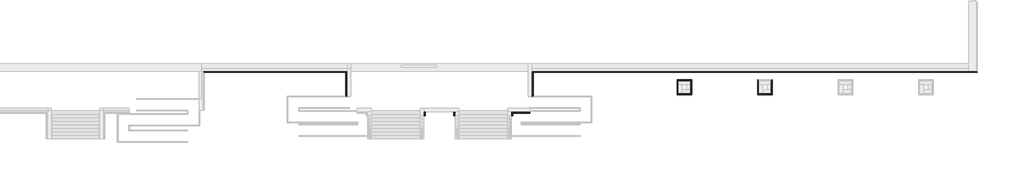
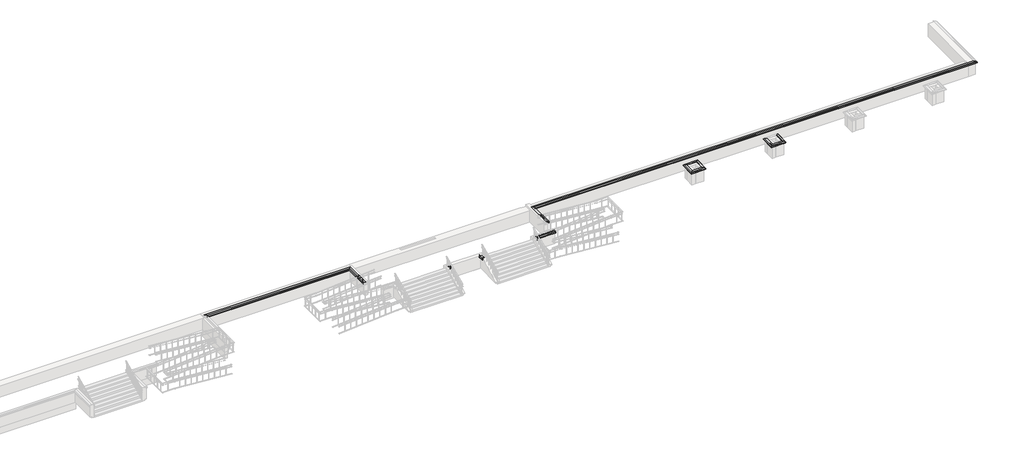
# One storey, part 6 of 10: 16 proxies.
"""IFC4 building model written with IfcOpenShell, lengths in millimetres."""

from ifc_helpers import new_model, si_unit, point, frame, frame_2d, origin, place, context, project, spatial, polyline, circle_curve, ellipse_curve, trimmed, segment, composite_curve, outline, extrude, element, save
from ifc_brep_helpers import plane_surface, revolved_surface, advanced_brep

model = new_model("IFC4")

# Units and contexts
model_context = context("Model", 3, world=origin())
ifc_project = project(units=[si_unit("LENGTHUNIT", "METRE", prefix="MILLI")], contexts=[model_context])

# Site, building, storey
site = spatial("IfcSite", under=ifc_project)
building = spatial("IfcBuilding", under=site)
storey = spatial("IfcBuildingStorey", under=building, Elevation=-1200.0)

# Proxies
placement = place(None, origin())
element("IfcBuildingElementProxy", 1, Name="Wall Sweeps", at=placement, inside=storey, context=model_context, shape_type="AdvancedBrep", body=[
    advanced_brep(
    [(46935.0112841, -15231.8920513, -15.0), (46935.0112841, -15231.8920513, -85.0), (46870.0112841, -15166.8920513, -150.0), (46820.0112841, -15116.8920513, -150.0), (46820.0112841, -15116.8920513, 0.0), (46720.0112841, -15016.8920513, 0.0), (46720.0112841, -15016.8920513, 30.51349), (46870.0112841, -15166.8920513, 30.51349), (8835.0112841, -15231.8920513, -15.0), (8770.0112841, -15166.8920513, 30.51349), (8620.0112841, -15016.8920513, 30.51349), (8620.0112841, -15016.8920513, 0.0), (8720.0112841, -15116.8920513, 0.0), (8720.0112841, -15116.8920513, -150.0), (8770.0112841, -15166.8920513, -150.0), (8835.0112841, -15231.8920513, -85.0), (46210.0112841, -15116.8920513, 0.0)],
    [
        (0, 1),
        (1, 2, ellipse_curve(frame((46935.0112841, -15231.8920513, -150.0), z_axis=(-0.707106781186544, -0.7071067811865511, 0.0), x_axis=(-0.707106781186551, 0.7071067811865439, 0.0)), 91.9238816, 65.0)),
        (2, 3),
        (3, 4),
        (4, 5),
        (5, 6),
        (6, 7),
        (7, 0),
        (8, 9),
        (9, 10),
        (10, 11),
        (11, 12),
        (12, 13),
        (13, 14),
        (14, 15, ellipse_curve(frame((8835.0112841, -15231.8920513, -150.0), z_axis=(0.7071067811865476, 0.7071067811865476, 0.0), x_axis=(-0.7071067811865475, 0.7071067811865476, 0.0)), 91.9238816, 65.0)),
        (15, 8),
        (0, 8),
        (15, 1),
        (14, 2),
        (13, 3),
        (12, 16),
        (16, 4),
        (11, 5),
        (10, 6),
        (9, 7),
    ],
    [
        plane_surface(frame((46820.0112841, -15116.8920513, 304.8), z_axis=(0.707106781186544, 0.7071067811865511, 0.0), x_axis=(-0.7071067811865511, 0.707106781186544, 0.0))),
        plane_surface(frame((8720.0112841, -15116.8920513, -304.8), z_axis=(-0.7071067811865476, -0.7071067811865476, 0.0), x_axis=(0.7071067811865476, -0.7071067811865476, 0.0))),
        plane_surface(frame((46935.0112841, -15231.8920513, -15.0), z_axis=(0.0, -1.0, 0.0), x_axis=(-1.0, 0.0, 0.0))),
        revolved_surface(polyline([(8770.011284067652, -15296.8920513, -150.0), (47000.01128413235, -15296.8920513, -150.0)]), (46820.0112841, -15231.8920513, -150.0), (-1.0, 0.0, 0.0)),
        plane_surface(frame((46870.0112841, -15166.8920513, -150.0), z_axis=(0.0, 0.0, -1.0), x_axis=(-1.0, 0.0, 0.0))),
        plane_surface(frame((46820.0112841, -15116.8920513, -150.0), z_axis=(0.0, 1.0, 0.0), x_axis=(-1.0, 0.0, 0.0))),
        plane_surface(frame((46820.0112841, -15116.8920513, 0.0), z_axis=(0.0, 0.0, -1.0), x_axis=(-1.0, 0.0, 0.0))),
        plane_surface(frame((46720.0112841, -15016.8920513, 0.0), z_axis=(0.0, 1.0, 0.0), x_axis=(-1.0, 0.0, 0.0))),
        plane_surface(frame((46720.0112841, -15016.8920513, 30.51349), z_axis=(0.0, 0.0, 1.0), x_axis=(-1.0, 0.0, 0.0))),
        plane_surface(frame((46870.0112841, -15166.8920513, 30.51349), z_axis=(0.0, -0.5735764363510482, 0.8191520442889904), x_axis=(-1.0, 0.0, 0.0))),
    ],
    [
        (0, [[1, 2, 3, 4, 5, 6, 7, 8]]),
        (1, [[9, 10, 11, 12, 13, 14, 15, 16]]),
        (2, [[-1, 17, -16, 18]]),
        (3, [[-2, -18, -15, 19]]),
        (4, [[-3, -19, -14, 20]]),
        (5, [[-4, -20, -13, 21, 22]]),
        (6, [[-5, -22, -21, -12, 23]]),
        (7, [[-6, -23, -11, 24]]),
        (8, [[-7, -24, -10, 25]]),
        (9, [[-8, -25, -9, -17]]),
    ],
),
])
element("IfcBuildingElementProxy", 2, Name="Wall Sweeps", at=placement, inside=storey, context=model_context, shape_type="AdvancedBrep", body=[
    advanced_brep(
    [(21185.0112841, -15881.8920513, -15.0), (21185.0112841, -15881.8920513, -85.0), (21250.0112841, -15946.8920513, -150.0), (21300.0112841, -15996.8920513, -150.0), (21300.0112841, -15996.8920513, 0.0), (21400.0112841, -16096.8920513, 0.0), (21400.0112841, -16096.8920513, 30.51349), (21250.0112841, -15946.8920513, 30.51349), (22435.0112841, -15881.8920513, -15.0), (22370.0112841, -15946.8920513, 30.51349), (22220.0112841, -16096.8920513, 30.51349), (22220.0112841, -16096.8920513, 0.0), (22320.0112841, -15996.8920513, 0.0), (22320.0112841, -15996.8920513, -150.0), (22370.0112841, -15946.8920513, -150.0), (22435.0112841, -15881.8920513, -85.0)],
    [
        (0, 1),
        (1, 2, ellipse_curve(frame((21185.0112841, -15881.8920513, -150.0), z_axis=(0.707106781186544, 0.7071067811865511, 0.0), x_axis=(0.707106781186551, -0.7071067811865439, 0.0)), 91.9238816, 65.0)),
        (2, 3),
        (3, 4),
        (4, 5),
        (5, 6),
        (6, 7),
        (7, 0),
        (8, 9),
        (9, 10),
        (10, 11),
        (11, 12),
        (12, 13),
        (13, 14),
        (14, 15, ellipse_curve(frame((22435.0112841, -15881.8920513, -150.0), z_axis=(-0.707106781186544, 0.7071067811865511, 0.0), x_axis=(0.7071067811865509, 0.707106781186544, 0.0)), 91.9238816, 65.0)),
        (15, 8),
        (0, 8),
        (15, 1),
        (14, 2),
        (13, 3),
        (12, 4),
        (11, 5),
        (10, 6),
        (9, 7),
    ],
    [
        plane_surface(frame((21300.0112841, -15996.8920513, 304.8), z_axis=(-0.707106781186544, -0.7071067811865511, 0.0), x_axis=(0.7071067811865511, -0.707106781186544, 0.0))),
        plane_surface(frame((22320.0112841, -15996.8920513, 304.8), z_axis=(0.707106781186544, -0.7071067811865511, 0.0), x_axis=(-0.7071067811865511, -0.707106781186544, 0.0))),
        plane_surface(frame((21185.0112841, -15881.8920513, -15.0), z_axis=(0.0, 1.0, 0.0), x_axis=(1.0, 0.0, 0.0))),
        revolved_surface(polyline([(22500.01128413235, -15816.8920513, -150.0), (21120.011284067652, -15816.8920513, -150.0)]), (21300.0112841, -15881.8920513, -150.0), (1.0, 0.0, 0.0)),
        plane_surface(frame((21250.0112841, -15946.8920513, -150.0), z_axis=(0.0, 0.0, -1.0), x_axis=(1.0, 0.0, 0.0))),
        plane_surface(frame((21300.0112841, -15996.8920513, -150.0), z_axis=(0.0, -1.0, 0.0), x_axis=(1.0, 0.0, 0.0))),
        plane_surface(frame((21300.0112841, -15996.8920513, 0.0), z_axis=(0.0, 0.0, -1.0), x_axis=(1.0, 0.0, 0.0))),
        plane_surface(frame((21400.0112841, -16096.8920513, 0.0), z_axis=(0.0, -1.0, 0.0), x_axis=(1.0, 0.0, 0.0))),
        plane_surface(frame((21400.0112841, -16096.8920513, 30.51349), z_axis=(0.0, 0.0, 1.0), x_axis=(1.0, 0.0, 0.0))),
        plane_surface(frame((21250.0112841, -15946.8920513, 30.51349), z_axis=(0.0, 0.5735764363510482, 0.8191520442889904), x_axis=(1.0, 0.0, 0.0))),
    ],
    [
        (0, [[1, 2, 3, 4, 5, 6, 7, 8]]),
        (1, [[9, 10, 11, 12, 13, 14, 15, 16]]),
        (2, [[-1, 17, -16, 18]]),
        (3, [[-2, -18, -15, 19]]),
        (4, [[-3, -19, -14, 20]]),
        (5, [[-4, -20, -13, 21]]),
        (6, [[-5, -21, -12, 22]]),
        (7, [[-6, -22, -11, 23]]),
        (8, [[-7, -23, -10, 24]]),
        (9, [[-8, -24, -9, -17]]),
    ],
),
])
element("IfcBuildingElementProxy", 3, Name="Wall Sweeps", at=placement, inside=storey, context=model_context, shape_type="AdvancedBrep", body=[
    advanced_brep(
    [(21185.0112841, -15881.8920513, -15.0), (21250.0112841, -15946.8920513, 30.51349), (21400.0112841, -16096.8920513, 30.51349), (21400.0112841, -16096.8920513, 0.0), (21300.0112841, -15996.8920513, 0.0), (21300.0112841, -15996.8920513, -150.0), (21250.0112841, -15946.8920513, -150.0), (21185.0112841, -15881.8920513, -85.0), (21185.0112841, -17131.8920513, -15.0), (21185.0112841, -17131.8920513, -85.0), (21250.0112841, -17066.8920513, -150.0), (21300.0112841, -17016.8920513, -150.0), (21300.0112841, -17016.8920513, 0.0), (21400.0112841, -16916.8920513, 0.0), (21400.0112841, -16916.8920513, 30.51349), (21250.0112841, -17066.8920513, 30.51349), (21300.0112841, -16306.8920513, 0.0)],
    [
        (0, 1),
        (1, 2),
        (2, 3),
        (3, 4),
        (4, 5),
        (5, 6),
        (6, 7, ellipse_curve(frame((21185.0112841, -15881.8920513, -150.0), z_axis=(-0.707106781186544, -0.7071067811865511, 0.0), x_axis=(0.7071067811865511, -0.7071067811865439, 0.0)), 91.9238816, 65.0)),
        (7, 0),
        (8, 9),
        (9, 10, ellipse_curve(frame((21185.0112841, -17131.8920513, -150.0), z_axis=(-0.707106781186544, 0.7071067811865511, 0.0), x_axis=(-0.7071067811865511, -0.7071067811865439, 0.0)), 91.9238816, 65.0)),
        (10, 11),
        (11, 12),
        (12, 13),
        (13, 14),
        (14, 15),
        (15, 8),
        (7, 9),
        (8, 0),
        (6, 10),
        (5, 11),
        (4, 16),
        (16, 12),
        (3, 13),
        (2, 14),
        (1, 15),
    ],
    [
        plane_surface(frame((21300.0112841, -15996.8920513, -304.8), z_axis=(0.707106781186544, 0.7071067811865511, 0.0), x_axis=(0.7071067811865511, -0.707106781186544, 0.0))),
        plane_surface(frame((21300.0112841, -17016.8920513, -304.8), z_axis=(0.707106781186544, -0.7071067811865511, 0.0), x_axis=(0.7071067811865511, 0.707106781186544, 0.0))),
        plane_surface(frame((21185.0112841, -15881.8920513, -85.0), z_axis=(-1.0, 0.0, 0.0), x_axis=(0.0, -1.0, 0.0))),
        revolved_surface(polyline([(21120.0112841, -17196.89205133235, -150.0), (21120.0112841, -15816.89205126765, -150.0)]), (21185.0112841, -15996.8920513, -150.0), (0.0, -1.0, 0.0)),
        plane_surface(frame((21300.0112841, -15996.8920513, -150.0), z_axis=(0.0, 0.0, -1.0), x_axis=(0.0, -1.0, 0.0))),
        plane_surface(frame((21300.0112841, -15996.8920513, 0.0), z_axis=(1.0, 0.0, 0.0), x_axis=(0.0, -1.0, 0.0))),
        plane_surface(frame((21400.0112841, -16096.8920513, 0.0), z_axis=(0.0, 0.0, -1.0), x_axis=(0.0, -1.0, 0.0))),
        plane_surface(frame((21400.0112841, -16096.8920513, 30.51349), z_axis=(1.0, 0.0, 0.0), x_axis=(0.0, -1.0, 0.0))),
        plane_surface(frame((21250.0112841, -15946.8920513, 30.51349), z_axis=(0.0, 0.0, 1.0), x_axis=(0.0, -1.0, 0.0))),
        plane_surface(frame((21185.0112841, -15881.8920513, -15.0), z_axis=(-0.5735764363510482, 0.0, 0.8191520442889904), x_axis=(0.0, -1.0, 0.0))),
    ],
    [
        (0, [[1, 2, 3, 4, 5, 6, 7, 8]]),
        (1, [[9, 10, 11, 12, 13, 14, 15, 16]]),
        (2, [[-8, 17, -9, 18]]),
        (3, [[-7, 19, -10, -17]]),
        (4, [[-6, 20, -11, -19]]),
        (5, [[-5, 21, 22, -12, -20]]),
        (6, [[-4, 23, -13, -22, -21]]),
        (7, [[-3, 24, -14, -23]]),
        (8, [[-2, 25, -15, -24]]),
        (9, [[-1, -18, -16, -25]]),
    ],
),
])
element("IfcBuildingElementProxy", 4, Name="Wall Sweeps", at=placement, inside=storey, context=model_context, shape_type="AdvancedBrep", body=[
    advanced_brep(
    [(22435.0112841, -17131.8920513, -15.0), (22435.0112841, -17131.8920513, -85.0), (22370.0112841, -17066.8920513, -150.0), (22320.0112841, -17016.8920513, -150.0), (22320.0112841, -17016.8920513, 0.0), (22220.0112841, -16916.8920513, 0.0), (22220.0112841, -16916.8920513, 30.51349), (22370.0112841, -17066.8920513, 30.51349), (21185.0112841, -17131.8920513, -15.0), (21250.0112841, -17066.8920513, 30.51349), (21400.0112841, -16916.8920513, 30.51349), (21400.0112841, -16916.8920513, 0.0), (21300.0112841, -17016.8920513, 0.0), (21300.0112841, -17016.8920513, -150.0), (21250.0112841, -17066.8920513, -150.0), (21185.0112841, -17131.8920513, -85.0), (21610.0112841, -17016.8920513, 0.0)],
    [
        (0, 1),
        (1, 2, ellipse_curve(frame((22435.0112841, -17131.8920513, -150.0), z_axis=(-0.707106781186544, -0.7071067811865511, 0.0), x_axis=(-0.707106781186551, 0.7071067811865439, 0.0)), 91.9238816, 65.0)),
        (2, 3),
        (3, 4),
        (4, 5),
        (5, 6),
        (6, 7),
        (7, 0),
        (8, 9),
        (9, 10),
        (10, 11),
        (11, 12),
        (12, 13),
        (13, 14),
        (14, 15, ellipse_curve(frame((21185.0112841, -17131.8920513, -150.0), z_axis=(0.707106781186544, -0.7071067811865511, 0.0), x_axis=(-0.7071067811865509, -0.707106781186544, 0.0)), 91.9238816, 65.0)),
        (15, 8),
        (0, 8),
        (15, 1),
        (14, 2),
        (13, 3),
        (12, 16),
        (16, 4),
        (11, 5),
        (10, 6),
        (9, 7),
    ],
    [
        plane_surface(frame((22320.0112841, -17016.8920513, 304.8), z_axis=(0.707106781186544, 0.7071067811865511, 0.0), x_axis=(-0.7071067811865511, 0.707106781186544, 0.0))),
        plane_surface(frame((21300.0112841, -17016.8920513, 304.8), z_axis=(-0.707106781186544, 0.7071067811865511, 0.0), x_axis=(0.7071067811865511, 0.707106781186544, 0.0))),
        plane_surface(frame((22435.0112841, -17131.8920513, -15.0), z_axis=(0.0, -1.0, 0.0), x_axis=(-1.0, 0.0, 0.0))),
        revolved_surface(polyline([(21120.011284067652, -17196.8920513, -150.0), (22500.01128413235, -17196.8920513, -150.0)]), (22320.0112841, -17131.8920513, -150.0), (-1.0, 0.0, 0.0)),
        plane_surface(frame((22370.0112841, -17066.8920513, -150.0), z_axis=(0.0, 0.0, -1.0), x_axis=(-1.0, 0.0, 0.0))),
        plane_surface(frame((22320.0112841, -17016.8920513, -150.0), z_axis=(0.0, 1.0, 0.0), x_axis=(-1.0, 0.0, 0.0))),
        plane_surface(frame((22320.0112841, -17016.8920513, 0.0), z_axis=(0.0, 0.0, -1.0), x_axis=(-1.0, 0.0, 0.0))),
        plane_surface(frame((22220.0112841, -16916.8920513, 0.0), z_axis=(0.0, 1.0, 0.0), x_axis=(-1.0, 0.0, 0.0))),
        plane_surface(frame((22220.0112841, -16916.8920513, 30.51349), z_axis=(0.0, 0.0, 1.0), x_axis=(-1.0, 0.0, 0.0))),
        plane_surface(frame((22370.0112841, -17066.8920513, 30.51349), z_axis=(0.0, -0.5735764363510482, 0.8191520442889904), x_axis=(-1.0, 0.0, 0.0))),
    ],
    [
        (0, [[1, 2, 3, 4, 5, 6, 7, 8]]),
        (1, [[9, 10, 11, 12, 13, 14, 15, 16]]),
        (2, [[-1, 17, -16, 18]]),
        (3, [[-2, -18, -15, 19]]),
        (4, [[-3, -19, -14, 20]]),
        (5, [[-4, -20, -13, 21, 22]]),
        (6, [[-5, -22, -21, -12, 23]]),
        (7, [[-6, -23, -11, 24]]),
        (8, [[-7, -24, -10, 25]]),
        (9, [[-8, -25, -9, -17]]),
    ],
),
])
element("IfcBuildingElementProxy", 5, Name="Wall Sweeps", at=placement, inside=storey, context=model_context, shape_type="AdvancedBrep", body=[
    advanced_brep(
    [(22435.0112841, -15881.8920513, -15.0), (22435.0112841, -15881.8920513, -85.0), (22370.0112841, -15946.8920513, -150.0), (22320.0112841, -15996.8920513, -150.0), (22320.0112841, -15996.8920513, 0.0), (22220.0112841, -16096.8920513, 0.0), (22220.0112841, -16096.8920513, 30.51349), (22370.0112841, -15946.8920513, 30.51349), (22435.0112841, -17131.8920513, -15.0), (22370.0112841, -17066.8920513, 30.51349), (22220.0112841, -16916.8920513, 30.51349), (22220.0112841, -16916.8920513, 0.0), (22320.0112841, -17016.8920513, 0.0), (22320.0112841, -17016.8920513, -150.0), (22370.0112841, -17066.8920513, -150.0), (22435.0112841, -17131.8920513, -85.0), (22320.0112841, -16706.8920513, 0.0), (22320.0112841, -16306.8920513, 0.0)],
    [
        (0, 1),
        (1, 2, ellipse_curve(frame((22435.0112841, -15881.8920513, -150.0), z_axis=(0.707106781186544, -0.7071067811865511, 0.0), x_axis=(-0.7071067811865511, -0.7071067811865439, 0.0)), 91.9238816, 65.0)),
        (2, 3),
        (3, 4),
        (4, 5),
        (5, 6),
        (6, 7),
        (7, 0),
        (8, 9),
        (9, 10),
        (10, 11),
        (11, 12),
        (12, 13),
        (13, 14),
        (14, 15, ellipse_curve(frame((22435.0112841, -17131.8920513, -150.0), z_axis=(0.707106781186544, 0.7071067811865511, 0.0), x_axis=(0.7071067811865511, -0.7071067811865439, 0.0)), 91.9238816, 65.0)),
        (15, 8),
        (0, 8),
        (15, 1),
        (14, 2),
        (13, 3),
        (12, 16),
        (16, 17),
        (17, 4),
        (11, 5),
        (10, 6),
        (9, 7),
    ],
    [
        plane_surface(frame((22320.0112841, -15996.8920513, 304.8), z_axis=(-0.707106781186544, 0.7071067811865511, 0.0), x_axis=(-0.7071067811865511, -0.707106781186544, 0.0))),
        plane_surface(frame((22320.0112841, -17016.8920513, 304.8), z_axis=(-0.707106781186544, -0.7071067811865511, 0.0), x_axis=(-0.7071067811865511, 0.707106781186544, 0.0))),
        plane_surface(frame((22435.0112841, -15881.8920513, -15.0), z_axis=(1.0, 0.0, 0.0), x_axis=(0.0, -1.0, 0.0))),
        revolved_surface(polyline([(22500.0112841, -17196.89205133235, -150.0), (22500.0112841, -15816.89205126765, -150.0)]), (22435.0112841, -15996.8920513, -150.0), (0.0, -1.0, 0.0)),
        plane_surface(frame((22370.0112841, -15946.8920513, -150.0), z_axis=(0.0, 0.0, -1.0), x_axis=(0.0, -1.0, 0.0))),
        plane_surface(frame((22320.0112841, -15996.8920513, -150.0), z_axis=(-1.0, 0.0, 0.0), x_axis=(0.0, -1.0, 0.0))),
        plane_surface(frame((22320.0112841, -15996.8920513, 0.0), z_axis=(0.0, 0.0, -1.0), x_axis=(0.0, -1.0, 0.0))),
        plane_surface(frame((22220.0112841, -16096.8920513, 0.0), z_axis=(-1.0, 0.0, 0.0), x_axis=(0.0, -1.0, 0.0))),
        plane_surface(frame((22220.0112841, -16096.8920513, 30.51349), z_axis=(0.0, 0.0, 1.0), x_axis=(0.0, -1.0, 0.0))),
        plane_surface(frame((22370.0112841, -15946.8920513, 30.51349), z_axis=(0.5735764363510482, 0.0, 0.8191520442889904), x_axis=(0.0, -1.0, 0.0))),
    ],
    [
        (0, [[1, 2, 3, 4, 5, 6, 7, 8]]),
        (1, [[9, 10, 11, 12, 13, 14, 15, 16]]),
        (2, [[-1, 17, -16, 18]]),
        (3, [[-2, -18, -15, 19]]),
        (4, [[-3, -19, -14, 20]]),
        (5, [[-4, -20, -13, 21, 22, 23]]),
        (6, [[-5, -23, -22, -21, -12, 24]]),
        (7, [[-6, -24, -11, 25]]),
        (8, [[-7, -25, -10, 26]]),
        (9, [[-8, -26, -9, -17]]),
    ],
),
])
element("IfcBuildingElementProxy", 6, Name="Wall Sweeps", at=placement, inside=storey, context=model_context, shape_type="AdvancedBrep", body=[
    advanced_brep(
    [(28085.0112841, -15881.8920513, -15.0), (28150.0112841, -15946.8920513, 30.51349), (28300.0112841, -16096.8920513, 30.51349), (28300.0112841, -16096.8920513, 0.0), (28200.0112841, -15996.8920513, 0.0), (28200.0112841, -15996.8920513, -150.0), (28150.0112841, -15946.8920513, -150.0), (28085.0112841, -15881.8920513, -85.0), (28085.0112841, -17131.8920513, -15.0), (28085.0112841, -17131.8920513, -85.0), (28150.0112841, -17066.8920513, -150.0), (28200.0112841, -17016.8920513, -150.0), (28200.0112841, -17016.8920513, 0.0), (28300.0112841, -16916.8920513, 0.0), (28300.0112841, -16916.8920513, 30.51349), (28150.0112841, -17066.8920513, 30.51349), (28200.0112841, -16306.8920513, 0.0)],
    [
        (0, 1),
        (1, 2),
        (2, 3),
        (3, 4),
        (4, 5),
        (5, 6),
        (6, 7, ellipse_curve(frame((28085.0112841, -15881.8920513, -150.0), z_axis=(-0.707106781186544, -0.7071067811865511, 0.0), x_axis=(0.7071067811865511, -0.7071067811865439, 0.0)), 91.9238816, 65.0)),
        (7, 0),
        (8, 9),
        (9, 10, ellipse_curve(frame((28085.0112841, -17131.8920513, -150.0), z_axis=(-0.707106781186544, 0.7071067811865511, 0.0), x_axis=(-0.7071067811865511, -0.7071067811865439, 0.0)), 91.9238816, 65.0)),
        (10, 11),
        (11, 12),
        (12, 13),
        (13, 14),
        (14, 15),
        (15, 8),
        (7, 9),
        (8, 0),
        (6, 10),
        (5, 11),
        (4, 16),
        (16, 12),
        (3, 13),
        (2, 14),
        (1, 15),
    ],
    [
        plane_surface(frame((28200.0112841, -15996.8920513, -304.8), z_axis=(0.707106781186544, 0.7071067811865511, 0.0), x_axis=(0.7071067811865511, -0.707106781186544, 0.0))),
        plane_surface(frame((28200.0112841, -17016.8920513, -304.8), z_axis=(0.707106781186544, -0.7071067811865511, 0.0), x_axis=(0.7071067811865511, 0.707106781186544, 0.0))),
        plane_surface(frame((28085.0112841, -15881.8920513, -85.0), z_axis=(-1.0, 0.0, 0.0), x_axis=(0.0, -1.0, 0.0))),
        revolved_surface(polyline([(28020.0112841, -17196.89205133235, -150.0), (28020.0112841, -15816.89205126765, -150.0)]), (28085.0112841, -15996.8920513, -150.0), (0.0, -1.0, 0.0)),
        plane_surface(frame((28200.0112841, -15996.8920513, -150.0), z_axis=(0.0, 0.0, -1.0), x_axis=(0.0, -1.0, 0.0))),
        plane_surface(frame((28200.0112841, -15996.8920513, 0.0), z_axis=(1.0, 0.0, 0.0), x_axis=(0.0, -1.0, 0.0))),
        plane_surface(frame((28300.0112841, -16096.8920513, 0.0), z_axis=(0.0, 0.0, -1.0), x_axis=(0.0, -1.0, 0.0))),
        plane_surface(frame((28300.0112841, -16096.8920513, 30.51349), z_axis=(1.0, 0.0, 0.0), x_axis=(0.0, -1.0, 0.0))),
        plane_surface(frame((28150.0112841, -15946.8920513, 30.51349), z_axis=(0.0, 0.0, 1.0), x_axis=(0.0, -1.0, 0.0))),
        plane_surface(frame((28085.0112841, -15881.8920513, -15.0), z_axis=(-0.5735764363510482, 0.0, 0.8191520442889904), x_axis=(0.0, -1.0, 0.0))),
    ],
    [
        (0, [[1, 2, 3, 4, 5, 6, 7, 8]]),
        (1, [[9, 10, 11, 12, 13, 14, 15, 16]]),
        (2, [[-8, 17, -9, 18]]),
        (3, [[-7, 19, -10, -17]]),
        (4, [[-6, 20, -11, -19]]),
        (5, [[-5, 21, 22, -12, -20]]),
        (6, [[-4, 23, -13, -22, -21]]),
        (7, [[-3, 24, -14, -23]]),
        (8, [[-2, 25, -15, -24]]),
        (9, [[-1, -18, -16, -25]]),
    ],
),
])
element("IfcBuildingElementProxy", 7, Name="Wall Sweeps", at=placement, inside=storey, context=model_context, shape_type="AdvancedBrep", body=[
    advanced_brep(
    [(29335.0112841, -17131.8920513, -15.0), (29335.0112841, -17131.8920513, -85.0), (29270.0112841, -17066.8920513, -150.0), (29220.0112841, -17016.8920513, -150.0), (29220.0112841, -17016.8920513, 0.0), (29120.0112841, -16916.8920513, 0.0), (29120.0112841, -16916.8920513, 30.51349), (29270.0112841, -17066.8920513, 30.51349), (28085.0112841, -17131.8920513, -15.0), (28150.0112841, -17066.8920513, 30.51349), (28300.0112841, -16916.8920513, 30.51349), (28300.0112841, -16916.8920513, 0.0), (28200.0112841, -17016.8920513, 0.0), (28200.0112841, -17016.8920513, -150.0), (28150.0112841, -17066.8920513, -150.0), (28085.0112841, -17131.8920513, -85.0), (28510.0112841, -17016.8920513, 0.0)],
    [
        (0, 1),
        (1, 2, ellipse_curve(frame((29335.0112841, -17131.8920513, -150.0), z_axis=(-0.707106781186544, -0.7071067811865511, 0.0), x_axis=(-0.707106781186551, 0.7071067811865439, 0.0)), 91.9238816, 65.0)),
        (2, 3),
        (3, 4),
        (4, 5),
        (5, 6),
        (6, 7),
        (7, 0),
        (8, 9),
        (9, 10),
        (10, 11),
        (11, 12),
        (12, 13),
        (13, 14),
        (14, 15, ellipse_curve(frame((28085.0112841, -17131.8920513, -150.0), z_axis=(0.707106781186544, -0.7071067811865511, 0.0), x_axis=(-0.7071067811865509, -0.707106781186544, 0.0)), 91.9238816, 65.0)),
        (15, 8),
        (0, 8),
        (15, 1),
        (14, 2),
        (13, 3),
        (12, 16),
        (16, 4),
        (11, 5),
        (10, 6),
        (9, 7),
    ],
    [
        plane_surface(frame((29220.0112841, -17016.8920513, 304.8), z_axis=(0.707106781186544, 0.7071067811865511, 0.0), x_axis=(-0.7071067811865511, 0.707106781186544, 0.0))),
        plane_surface(frame((28200.0112841, -17016.8920513, 304.8), z_axis=(-0.707106781186544, 0.7071067811865511, 0.0), x_axis=(0.7071067811865511, 0.707106781186544, 0.0))),
        plane_surface(frame((29335.0112841, -17131.8920513, -15.0), z_axis=(0.0, -1.0, 0.0), x_axis=(-1.0, 0.0, 0.0))),
        revolved_surface(polyline([(28020.011284067652, -17196.8920513, -150.0), (29400.01128413235, -17196.8920513, -150.0)]), (29220.0112841, -17131.8920513, -150.0), (-1.0, 0.0, 0.0)),
        plane_surface(frame((29270.0112841, -17066.8920513, -150.0), z_axis=(0.0, 0.0, -1.0), x_axis=(-1.0, 0.0, 0.0))),
        plane_surface(frame((29220.0112841, -17016.8920513, -150.0), z_axis=(0.0, 1.0, 0.0), x_axis=(-1.0, 0.0, 0.0))),
        plane_surface(frame((29220.0112841, -17016.8920513, 0.0), z_axis=(0.0, 0.0, -1.0), x_axis=(-1.0, 0.0, 0.0))),
        plane_surface(frame((29120.0112841, -16916.8920513, 0.0), z_axis=(0.0, 1.0, 0.0), x_axis=(-1.0, 0.0, 0.0))),
        plane_surface(frame((29120.0112841, -16916.8920513, 30.51349), z_axis=(0.0, 0.0, 1.0), x_axis=(-1.0, 0.0, 0.0))),
        plane_surface(frame((29270.0112841, -17066.8920513, 30.51349), z_axis=(0.0, -0.5735764363510482, 0.8191520442889904), x_axis=(-1.0, 0.0, 0.0))),
    ],
    [
        (0, [[1, 2, 3, 4, 5, 6, 7, 8]]),
        (1, [[9, 10, 11, 12, 13, 14, 15, 16]]),
        (2, [[-1, 17, -16, 18]]),
        (3, [[-2, -18, -15, 19]]),
        (4, [[-3, -19, -14, 20]]),
        (5, [[-4, -20, -13, 21, 22]]),
        (6, [[-5, -22, -21, -12, 23]]),
        (7, [[-6, -23, -11, 24]]),
        (8, [[-7, -24, -10, 25]]),
        (9, [[-8, -25, -9, -17]]),
    ],
),
])
element("IfcBuildingElementProxy", 8, Name="Wall Sweeps", at=placement, inside=storey, context=model_context, shape_type="AdvancedBrep", body=[
    advanced_brep(
    [(29335.0112841, -15881.8920513, -15.0), (29335.0112841, -15881.8920513, -85.0), (29270.0112841, -15946.8920513, -150.0), (29220.0112841, -15996.8920513, -150.0), (29220.0112841, -15996.8920513, 0.0), (29120.0112841, -16096.8920513, 0.0), (29120.0112841, -16096.8920513, 30.51349), (29270.0112841, -15946.8920513, 30.51349), (29335.0112841, -17131.8920513, -15.0), (29270.0112841, -17066.8920513, 30.51349), (29120.0112841, -16916.8920513, 30.51349), (29120.0112841, -16916.8920513, 0.0), (29220.0112841, -17016.8920513, 0.0), (29220.0112841, -17016.8920513, -150.0), (29270.0112841, -17066.8920513, -150.0), (29335.0112841, -17131.8920513, -85.0), (29220.0112841, -16706.8920513, 0.0), (29220.0112841, -16306.8920513, 0.0)],
    [
        (0, 1),
        (1, 2, ellipse_curve(frame((29335.0112841, -15881.8920513, -150.0), z_axis=(0.707106781186544, -0.7071067811865511, 0.0), x_axis=(-0.7071067811865511, -0.7071067811865439, 0.0)), 91.9238816, 65.0)),
        (2, 3),
        (3, 4),
        (4, 5),
        (5, 6),
        (6, 7),
        (7, 0),
        (8, 9),
        (9, 10),
        (10, 11),
        (11, 12),
        (12, 13),
        (13, 14),
        (14, 15, ellipse_curve(frame((29335.0112841, -17131.8920513, -150.0), z_axis=(0.707106781186544, 0.7071067811865511, 0.0), x_axis=(0.7071067811865511, -0.7071067811865439, 0.0)), 91.9238816, 65.0)),
        (15, 8),
        (0, 8),
        (15, 1),
        (14, 2),
        (13, 3),
        (12, 16),
        (16, 17),
        (17, 4),
        (11, 5),
        (10, 6),
        (9, 7),
    ],
    [
        plane_surface(frame((29220.0112841, -15996.8920513, 304.8), z_axis=(-0.707106781186544, 0.7071067811865511, 0.0), x_axis=(-0.7071067811865511, -0.707106781186544, 0.0))),
        plane_surface(frame((29220.0112841, -17016.8920513, 304.8), z_axis=(-0.707106781186544, -0.7071067811865511, 0.0), x_axis=(-0.7071067811865511, 0.707106781186544, 0.0))),
        plane_surface(frame((29335.0112841, -15881.8920513, -15.0), z_axis=(1.0, 0.0, 0.0), x_axis=(0.0, -1.0, 0.0))),
        revolved_surface(polyline([(29400.0112841, -17196.89205133235, -150.0), (29400.0112841, -15816.89205126765, -150.0)]), (29335.0112841, -15996.8920513, -150.0), (0.0, -1.0, 0.0)),
        plane_surface(frame((29270.0112841, -15946.8920513, -150.0), z_axis=(0.0, 0.0, -1.0), x_axis=(0.0, -1.0, 0.0))),
        plane_surface(frame((29220.0112841, -15996.8920513, -150.0), z_axis=(-1.0, 0.0, 0.0), x_axis=(0.0, -1.0, 0.0))),
        plane_surface(frame((29220.0112841, -15996.8920513, 0.0), z_axis=(0.0, 0.0, -1.0), x_axis=(0.0, -1.0, 0.0))),
        plane_surface(frame((29120.0112841, -16096.8920513, 0.0), z_axis=(-1.0, 0.0, 0.0), x_axis=(0.0, -1.0, 0.0))),
        plane_surface(frame((29120.0112841, -16096.8920513, 30.51349), z_axis=(0.0, 0.0, 1.0), x_axis=(0.0, -1.0, 0.0))),
        plane_surface(frame((29270.0112841, -15946.8920513, 30.51349), z_axis=(0.5735764363510482, 0.0, 0.8191520442889904), x_axis=(0.0, -1.0, 0.0))),
    ],
    [
        (0, [[1, 2, 3, 4, 5, 6, 7, 8]]),
        (1, [[9, 10, 11, 12, 13, 14, 15, 16]]),
        (2, [[-1, 17, -16, 18]]),
        (3, [[-2, -18, -15, 19]]),
        (4, [[-3, -19, -14, 20]]),
        (5, [[-4, -20, -13, 21, 22, 23]]),
        (6, [[-5, -23, -22, -21, -12, 24]]),
        (7, [[-6, -24, -11, 25]]),
        (8, [[-7, -25, -10, 26]]),
        (9, [[-8, -26, -9, -17]]),
    ],
),
])
element("IfcBuildingElementProxy", 9, Name="Wall Sweeps", at=placement, inside=storey, context=model_context, shape_type="SweptSolid", body=[
    extrude(outline(composite_curve([segment(polyline([(-15.0, -424.9887159), (30.51349, -489.9887159), (30.51349, -639.9887159), (0.0, -639.9887159), (0.0, -539.9887159), (-150.0, -539.9887159), (-150.0, -489.9887159)]), True, "CONTINUOUS"), segment(trimmed(circle_curve(frame_2d((-150.0, -424.9887159)), 65.0), [point((-150.0, -489.9887159))], [point((-85.0, -424.9887159))], True, "CARTESIAN"), True, "CONTINUOUS"), segment(polyline([(-85.0, -424.9887159), (-15.0, -424.9887159)]), True, "CONTINUOUS")], self_intersect=False)), frame((0.0, -18956.8920513, 0.0), z_axis=(0.0, 1.0, 0.0), x_axis=(0.0, 0.0, 1.0)), (0.0, 0.0, 1.0), 350.0),
])
element("IfcBuildingElementProxy", 10, Name="Wall Sweeps", at=placement, inside=storey, context=model_context, shape_type="SweptSolid", body=[
    extrude(outline(composite_curve([segment(polyline([(-15.0, 2045.0112841), (-85.0, 2045.0112841)]), True, "CONTINUOUS"), segment(trimmed(circle_curve(frame_2d((-150.0, 2045.0112841)), 65.0), [point((-85.0, 2045.0112841))], [point((-150.0, 2110.0112841))], True, "CARTESIAN"), True, "CONTINUOUS"), segment(polyline([(-150.0, 2110.0112841), (-150.0, 2160.0112841), (0.0, 2160.0112841), (0.0, 2260.0112841), (30.51349, 2260.0112841), (30.51349, 2110.0112841), (-15.0, 2045.0112841)]), True, "CONTINUOUS")], self_intersect=False)), frame((0.0, -18956.8920513, 0.0), z_axis=(0.0, 1.0, 0.0), x_axis=(0.0, 0.0, 1.0)), (0.0, 0.0, 1.0), 320.0),
])
element("IfcBuildingElementProxy", 11, Name="Wall Sweeps", at=placement, inside=storey, context=model_context, shape_type="AdvancedBrep", body=[
    advanced_brep(
    [(7075.0112841, -18721.8920513, -15.0), (7075.0112841, -18721.8920513, -85.0), (7010.0112841, -18656.8920513, -150.0), (6960.0112841, -18606.8920513, -150.0), (6960.0112841, -18606.8920513, 0.0), (6860.0112841, -18506.8920513, 0.0), (6860.0112841, -18506.8920513, 30.51349), (7010.0112841, -18656.8920513, 30.51349), (7075.0112841, -18956.8920513, -15.0), (7010.0112841, -18956.8920513, 30.51349), (6860.0112841, -18956.8920513, 30.51349), (6860.0112841, -18956.8920513, 0.0), (6960.0112841, -18956.8920513, 0.0), (6960.0112841, -18956.8920513, -150.0), (7010.0112841, -18956.8920513, -150.0), (7075.0112841, -18956.8920513, -85.0)],
    [
        (0, 1),
        (1, 2, ellipse_curve(frame((7075.0112841, -18721.8920513, -150.0), z_axis=(-0.7071067811865476, -0.7071067811865476, 0.0), x_axis=(0.7071067811865477, -0.7071067811865475, 0.0)), 91.9238816, 65.0)),
        (2, 3),
        (3, 4),
        (4, 5),
        (5, 6),
        (6, 7),
        (7, 0),
        (8, 9),
        (9, 10),
        (10, 11),
        (11, 12),
        (12, 13),
        (13, 14),
        (14, 15, circle_curve(frame((7075.0112841, -18956.8920513, -150.0), z_axis=(0.0, 1.0, 0.0), x_axis=(1.0, 0.0, 0.0)), 65.0)),
        (15, 8),
        (0, 8),
        (15, 1),
        (14, 2),
        (13, 3),
        (12, 4),
        (11, 5),
        (10, 6),
        (9, 7),
    ],
    [
        plane_surface(frame((6960.0112841, -18606.8920513, -304.8), z_axis=(0.7071067811865476, 0.7071067811865476, 0.0), x_axis=(0.7071067811865476, -0.7071067811865476, 0.0))),
        plane_surface(frame((6801.8974011, -18956.8920513, 0.0), z_axis=(0.0, -1.0, 0.0), x_axis=(0.0, 0.0, -1.0))),
        plane_surface(frame((7075.0112841, -18721.8920513, -15.0), z_axis=(1.0, 0.0, 0.0), x_axis=(0.0, -1.0, 0.0))),
        revolved_surface(polyline([(7140.0112841, -18956.8920513, -150.0), (7140.0112841, -18656.892051267652, -150.0)]), (7075.0112841, -18606.8920513, -150.0), (0.0, -1.0, 0.0)),
        plane_surface(frame((7010.0112841, -18656.8920513, -150.0), z_axis=(0.0, 0.0, -1.0), x_axis=(0.0, -1.0, 0.0))),
        plane_surface(frame((6960.0112841, -18606.8920513, -150.0), z_axis=(-1.0, 0.0, 0.0), x_axis=(0.0, -1.0, 0.0))),
        plane_surface(frame((6960.0112841, -18606.8920513, 0.0), z_axis=(0.0, 0.0, -1.0), x_axis=(0.0, -1.0, 0.0))),
        plane_surface(frame((6860.0112841, -18506.8920513, 0.0), z_axis=(-1.0, 0.0, 0.0), x_axis=(0.0, -1.0, 0.0))),
        plane_surface(frame((6860.0112841, -18506.8920513, 30.51349), z_axis=(0.0, 0.0, 1.0), x_axis=(0.0, -1.0, 0.0))),
        plane_surface(frame((7010.0112841, -18656.8920513, 30.51349), z_axis=(0.5735764363510482, 0.0, 0.8191520442889904), x_axis=(0.0, -1.0, 0.0))),
    ],
    [
        (0, [[1, 2, 3, 4, 5, 6, 7, 8]]),
        (1, [[9, 10, 11, 12, 13, 14, 15, 16]]),
        (2, [[-1, 17, -16, 18]]),
        (3, [[-2, -18, -15, 19]]),
        (4, [[-3, -19, -14, 20]]),
        (5, [[-4, -20, -13, 21]]),
        (6, [[-5, -21, -12, 22]]),
        (7, [[-6, -22, -11, 23]]),
        (8, [[-7, -23, -10, 24]]),
        (9, [[-8, -24, -9, -17]]),
    ],
),
])
element("IfcBuildingElementProxy", 12, Name="Wall Sweeps", at=placement, inside=storey, context=model_context, shape_type="AdvancedBrep", body=[
    advanced_brep(
    [(-7214.988716, -15231.8920513, -15.0), (-7149.988716, -15166.8920513, 30.51349), (-6999.988716, -15016.8920513, 30.51349), (-6999.988716, -15016.8920513, 0.0), (-7099.988716, -15116.8920513, 0.0), (-7099.988716, -15116.8920513, -150.0), (-7149.988716, -15166.8920513, -150.0), (-7214.988716, -15231.8920513, -85.0), (-7214.988716, -17296.8920513, -15.0), (-7214.988716, -17296.8920513, -85.0), (-7149.988716, -17296.8920513, -150.0), (-7099.988716, -17296.8920513, -150.0), (-7099.988716, -17296.8920513, 0.0), (-6999.988716, -17296.8920513, 0.0), (-6999.988716, -17296.8920513, 30.51349), (-7149.988716, -17296.8920513, 30.51349)],
    [
        (0, 1),
        (1, 2),
        (2, 3),
        (3, 4),
        (4, 5),
        (5, 6),
        (6, 7, ellipse_curve(frame((-7214.988716, -15231.8920513, -150.0), z_axis=(0.7071067811865458, -0.7071067811865493, 0.0), x_axis=(-0.7071067811865495, -0.7071067811865457, 0.0)), 91.9238816, 65.0)),
        (7, 0),
        (8, 9),
        (9, 10, circle_curve(frame((-7214.988716, -17296.8920513, -150.0), z_axis=(0.0, 1.0, 0.0), x_axis=(-1.0, 0.0, 0.0)), 65.0)),
        (10, 11),
        (11, 12),
        (12, 13),
        (13, 14),
        (14, 15),
        (15, 8),
        (7, 9),
        (8, 0),
        (6, 10),
        (5, 11),
        (4, 12),
        (3, 13),
        (2, 14),
        (1, 15),
    ],
    [
        plane_surface(frame((-7099.988716, -15116.8920513, 304.8), z_axis=(-0.7071067811865458, 0.7071067811865493, 0.0), x_axis=(-0.7071067811865493, -0.7071067811865458, 0.0))),
        plane_surface(frame((-7258.102599, -17296.8920513, 0.0), z_axis=(0.0, -1.0, 0.0), x_axis=(0.0, 0.0, -1.0))),
        plane_surface(frame((-7214.988716, -15231.8920513, -85.0), z_axis=(-1.0, 0.0, 0.0), x_axis=(0.0, -1.0, 0.0))),
        revolved_surface(polyline([(-7279.988716, -17296.8920513, -150.0), (-7279.988716, -15166.89205126765, -150.0)]), (-7214.988716, -15116.8920513, -150.0), (0.0, -1.0, 0.0)),
        plane_surface(frame((-7099.988716, -15116.8920513, -150.0), z_axis=(0.0, 0.0, -1.0), x_axis=(0.0, -1.0, 0.0))),
        plane_surface(frame((-7099.988716, -15116.8920513, 0.0), z_axis=(1.0, 0.0, 0.0), x_axis=(0.0, -1.0, 0.0))),
        plane_surface(frame((-6999.988716, -15016.8920513, 0.0), z_axis=(0.0, 0.0, -1.0), x_axis=(0.0, -1.0, 0.0))),
        plane_surface(frame((-6999.988716, -15016.8920513, 30.51349), z_axis=(1.0, 0.0, 0.0), x_axis=(0.0, -1.0, 0.0))),
        plane_surface(frame((-7149.988716, -15166.8920513, 30.51349), z_axis=(0.0, 0.0, 1.0), x_axis=(0.0, -1.0, 0.0))),
        plane_surface(frame((-7214.988716, -15231.8920513, -15.0), z_axis=(-0.5735764363510482, 0.0, 0.8191520442889904), x_axis=(0.0, -1.0, 0.0))),
    ],
    [
        (0, [[1, 2, 3, 4, 5, 6, 7, 8]]),
        (1, [[9, 10, 11, 12, 13, 14, 15, 16]]),
        (2, [[-8, 17, -9, 18]]),
        (3, [[-7, 19, -10, -17]]),
        (4, [[-6, 20, -11, -19]]),
        (5, [[-5, 21, -12, -20]]),
        (6, [[-4, 22, -13, -21]]),
        (7, [[-3, 23, -14, -22]]),
        (8, [[-2, 24, -15, -23]]),
        (9, [[-1, -18, -16, -24]]),
    ],
),
])
element("IfcBuildingElementProxy", 13, Name="Wall Sweeps", at=placement, inside=storey, context=model_context, shape_type="AdvancedBrep", body=[
    advanced_brep(
    [(-7214.988716, -15231.8920513, -15.0), (-7214.988716, -15231.8920513, -85.0), (-7149.988716, -15166.8920513, -150.0), (-7099.988716, -15116.8920513, -150.0), (-7099.988716, -15116.8920513, 0.0), (-6999.988716, -15016.8920513, 0.0), (-6999.988716, -15016.8920513, 30.51349), (-7149.988716, -15166.8920513, 30.51349), (-19364.9887159, -15231.8920513, -85.0), (-19364.9887159, -15231.8920513, -15.0), (-19429.9887159, -15166.8920513, 30.51349), (-19579.9887159, -15016.8920513, 30.51349), (-19579.9887159, -15016.8920513, 0.0), (-19479.9887159, -15116.8920513, 0.0), (-19479.9887159, -15116.8920513, -150.0), (-19429.9887159, -15166.8920513, -150.0)],
    [
        (0, 1),
        (1, 2, ellipse_curve(frame((-7214.988716, -15231.8920513, -150.0), z_axis=(-0.7071067811865458, 0.7071067811865493, 0.0), x_axis=(-0.7071067811865491, -0.7071067811865458, 0.0)), 91.9238816, 65.0)),
        (2, 3),
        (3, 4),
        (4, 5),
        (5, 6),
        (6, 7),
        (7, 0),
        (8, 9),
        (9, 10),
        (10, 11),
        (11, 12),
        (12, 13),
        (13, 14),
        (14, 15),
        (15, 8, ellipse_curve(frame((-19364.9887159, -15231.8920513, -150.0), z_axis=(0.7071067811865476, 0.7071067811865476, 0.0), x_axis=(-0.7071067811865475, 0.7071067811865476, 0.0)), 91.9238816, 65.0)),
        (0, 9),
        (8, 1),
        (15, 2),
        (14, 3),
        (13, 4),
        (12, 5),
        (11, 6),
        (10, 7),
    ],
    [
        plane_surface(frame((-7099.988716, -15116.8920513, -304.8), z_axis=(0.7071067811865458, -0.7071067811865493, 0.0), x_axis=(-0.7071067811865493, -0.7071067811865458, 0.0))),
        plane_surface(frame((-19479.9887159, -15116.8920513, -304.8), z_axis=(-0.7071067811865476, -0.7071067811865476, 0.0), x_axis=(0.7071067811865476, -0.7071067811865476, 0.0))),
        plane_surface(frame((-7214.988716, -15231.8920513, -15.0), z_axis=(0.0, -1.0, 0.0), x_axis=(-1.0, 0.0, 0.0))),
        revolved_surface(polyline([(-19429.988715932348, -15296.8920513, -150.0), (-7149.98871596765, -15296.8920513, -150.0)]), (-7099.988716, -15231.8920513, -150.0), (-1.0, 0.0, 0.0)),
        plane_surface(frame((-7149.988716, -15166.8920513, -150.0), z_axis=(0.0, 0.0, -1.0), x_axis=(-1.0, 0.0, 0.0))),
        plane_surface(frame((-7099.988716, -15116.8920513, -150.0), z_axis=(0.0, 1.0, 0.0), x_axis=(-1.0, 0.0, 0.0))),
        plane_surface(frame((-7099.988716, -15116.8920513, 0.0), z_axis=(0.0, 0.0, -1.0), x_axis=(-1.0, 0.0, 0.0))),
        plane_surface(frame((-6999.988716, -15016.8920513, 0.0), z_axis=(0.0, 1.0, 0.0), x_axis=(-1.0, 0.0, 0.0))),
        plane_surface(frame((-6999.988716, -15016.8920513, 30.51349), z_axis=(0.0, 0.0, 1.0), x_axis=(-1.0, 0.0, 0.0))),
        plane_surface(frame((-7149.988716, -15166.8920513, 30.51349), z_axis=(0.0, -0.5735764363510482, 0.8191520442889904), x_axis=(-1.0, 0.0, 0.0))),
    ],
    [
        (0, [[1, 2, 3, 4, 5, 6, 7, 8]]),
        (1, [[9, 10, 11, 12, 13, 14, 15, 16]]),
        (2, [[-1, 17, -9, 18]]),
        (3, [[-2, -18, -16, 19]]),
        (4, [[-3, -19, -15, 20]]),
        (5, [[-4, -20, -14, 21]]),
        (6, [[-5, -21, -13, 22]]),
        (7, [[-6, -22, -12, 23]]),
        (8, [[-7, -23, -11, 24]]),
        (9, [[-8, -24, -10, -17]]),
    ],
),
])
element("IfcBuildingElementProxy", 14, Name="Wall Sweeps", at=placement, inside=storey, context=model_context, shape_type="AdvancedBrep", body=[
    advanced_brep(
    [(8835.0112841, -17296.8920513, -15.0), (8770.0112841, -17296.8920513, 30.51349), (8620.0112841, -17296.8920513, 30.51349), (8620.0112841, -17296.8920513, 0.0), (8720.0112841, -17296.8920513, 0.0), (8720.0112841, -17296.8920513, -150.0), (8770.0112841, -17296.8920513, -150.0), (8835.0112841, -17296.8920513, -85.0), (8835.0112841, -15231.8920513, -15.0), (8835.0112841, -15231.8920513, -85.0), (8770.0112841, -15166.8920513, -150.0), (8720.0112841, -15116.8920513, -150.0), (8720.0112841, -15116.8920513, 0.0), (8620.0112841, -15016.8920513, 0.0), (8620.0112841, -15016.8920513, 30.51349), (8770.0112841, -15166.8920513, 30.51349)],
    [
        (0, 1),
        (1, 2),
        (2, 3),
        (3, 4),
        (4, 5),
        (5, 6),
        (6, 7, circle_curve(frame((8835.0112841, -17296.8920513, -150.0), z_axis=(0.0, 1.0, 0.0), x_axis=(1.0, 0.0, 0.0)), 65.0)),
        (7, 0),
        (8, 9),
        (9, 10, ellipse_curve(frame((8835.0112841, -15231.8920513, -150.0), z_axis=(-0.7071067811865476, -0.7071067811865476, 0.0), x_axis=(-0.7071067811865477, 0.7071067811865474, 0.0)), 91.9238816, 65.0)),
        (10, 11),
        (11, 12),
        (12, 13),
        (13, 14),
        (14, 15),
        (15, 8),
        (0, 8),
        (15, 1),
        (14, 2),
        (13, 3),
        (12, 4),
        (11, 5),
        (10, 6),
        (9, 7),
    ],
    [
        plane_surface(frame((8561.8974011, -17296.8920513, 0.0), z_axis=(0.0, -1.0, 0.0), x_axis=(0.0, 0.0, 1.0))),
        plane_surface(frame((8720.0112841, -15116.8920513, 304.8), z_axis=(0.7071067811865476, 0.7071067811865476, 0.0), x_axis=(0.7071067811865476, -0.7071067811865476, 0.0))),
        plane_surface(frame((8835.0112841, -17296.8920513, -15.0), z_axis=(0.5735764363510482, 0.0, 0.8191520442889904), x_axis=(0.0, 1.0, 0.0))),
        plane_surface(frame((8770.0112841, -17296.8920513, 30.51349), z_axis=(0.0, 0.0, 1.0), x_axis=(0.0, 1.0, 0.0))),
        plane_surface(frame((8620.0112841, -17296.8920513, 30.51349), z_axis=(-1.0, 0.0, 0.0), x_axis=(0.0, 1.0, 0.0))),
        plane_surface(frame((8620.0112841, -17296.8920513, 0.0), z_axis=(0.0, 0.0, -1.0), x_axis=(0.0, 1.0, 0.0))),
        plane_surface(frame((8720.0112841, -17296.8920513, 0.0), z_axis=(-1.0, 0.0, 0.0), x_axis=(0.0, 1.0, 0.0))),
        plane_surface(frame((8720.0112841, -17296.8920513, -150.0), z_axis=(0.0, 0.0, -1.0), x_axis=(0.0, 1.0, 0.0))),
        revolved_surface(polyline([(8900.0112841, -15166.89205126765, -150.0), (8900.0112841, -17296.8920513, -150.0)]), (8835.0112841, -17296.8920513, -150.0), (0.0, 1.0, 0.0)),
        plane_surface(frame((8835.0112841, -17296.8920513, -85.0), z_axis=(1.0, 0.0, 0.0), x_axis=(0.0, 1.0, 0.0))),
    ],
    [
        (0, [[1, 2, 3, 4, 5, 6, 7, 8]]),
        (1, [[9, 10, 11, 12, 13, 14, 15, 16]]),
        (2, [[-1, 17, -16, 18]]),
        (3, [[-2, -18, -15, 19]]),
        (4, [[-3, -19, -14, 20]]),
        (5, [[-4, -20, -13, 21]]),
        (6, [[-5, -21, -12, 22]]),
        (7, [[-6, -22, -11, 23]]),
        (8, [[-7, -23, -10, 24]]),
        (9, [[-8, -24, -9, -17]]),
    ],
),
])
element("IfcBuildingElementProxy", 15, Name="Wall Sweeps", at=placement, inside=storey, context=model_context, shape_type="SweptSolid", body=[
    extrude(outline(composite_curve([segment(polyline([(-18721.8920513, -15.0), (-18656.8920513, 30.51349), (-18506.8920513, 30.51349), (-18506.8920513, 0.0), (-18606.8920513, 0.0), (-18606.8920513, -150.0), (-18656.8920513, -150.0)]), True, "CONTINUOUS"), segment(trimmed(circle_curve(frame_2d((-18721.8920513, -150.0)), 65.0), [point((-18656.8920513, -150.0))], [point((-18721.8920513, -85.0))], True, "CARTESIAN"), True, "CONTINUOUS"), segment(polyline([(-18721.8920513, -85.0), (-18721.8920513, -15.0)]), True, "CONTINUOUS")], self_intersect=False)), frame((2110.0112841, 0.0, 0.0), z_axis=(1.0, 0.0, 0.0), x_axis=(0.0, 1.0, 0.0)), (0.0, 0.0, 1.0), 50.0),
])
element("IfcBuildingElementProxy", 16, Name="Wall Sweeps", at=placement, inside=storey, context=model_context, shape_type="AdvancedBrep", body=[
    advanced_brep(
    [(7075.0112841, -18721.8920513, -15.0), (7010.0112841, -18656.8920513, 30.51349), (6860.0112841, -18506.8920513, 30.51349), (6860.0112841, -18506.8920513, 0.0), (6960.0112841, -18606.8920513, 0.0), (6960.0112841, -18606.8920513, -150.0), (7010.0112841, -18656.8920513, -150.0), (7075.0112841, -18721.8920513, -85.0), (8565.0112841, -18721.8920513, -15.0), (8565.0112841, -18721.8920513, -85.0), (8565.0112841, -18656.8920513, -150.0), (8565.0112841, -18606.8920513, -150.0), (8565.0112841, -18606.8920513, 0.0), (8565.0112841, -18506.8920513, 0.0), (8565.0112841, -18506.8920513, 30.51349), (8565.0112841, -18656.8920513, 30.51349)],
    [
        (0, 1),
        (1, 2),
        (2, 3),
        (3, 4),
        (4, 5),
        (5, 6),
        (6, 7, ellipse_curve(frame((7075.0112841, -18721.8920513, -150.0), z_axis=(0.7071067811865476, 0.7071067811865476, 0.0), x_axis=(0.7071067811865475, -0.7071067811865476, 0.0)), 91.9238816, 65.0)),
        (7, 0),
        (8, 9),
        (9, 10, circle_curve(frame((8565.0112841, -18721.8920513, -150.0), z_axis=(-1.0, 0.0, 0.0), x_axis=(0.0, -1.0, 0.0)), 65.0)),
        (10, 11),
        (11, 12),
        (12, 13),
        (13, 14),
        (14, 15),
        (15, 8),
        (0, 8),
        (15, 1),
        (14, 2),
        (13, 3),
        (12, 4),
        (11, 5),
        (10, 6),
        (9, 7),
    ],
    [
        plane_surface(frame((6960.0112841, -18606.8920513, 304.8), z_axis=(-0.7071067811865476, -0.7071067811865476, 0.0), x_axis=(0.7071067811865476, -0.7071067811865476, 0.0))),
        plane_surface(frame((8565.0112841, -18606.8920513, -158.113883), z_axis=(1.0, 0.0, 0.0), x_axis=(0.0, 1.0, 0.0))),
        plane_surface(frame((7075.0112841, -18721.8920513, -15.0), z_axis=(0.0, -0.5735764363510482, 0.8191520442889904), x_axis=(1.0, 0.0, 0.0))),
        plane_surface(frame((7010.0112841, -18656.8920513, 30.51349), z_axis=(0.0, 0.0, 1.0), x_axis=(1.0, 0.0, 0.0))),
        plane_surface(frame((6860.0112841, -18506.8920513, 30.51349), z_axis=(0.0, 1.0, 0.0), x_axis=(1.0, 0.0, 0.0))),
        plane_surface(frame((6860.0112841, -18506.8920513, 0.0), z_axis=(0.0, 0.0, -1.0), x_axis=(1.0, 0.0, 0.0))),
        plane_surface(frame((6960.0112841, -18606.8920513, 0.0), z_axis=(0.0, 1.0, 0.0), x_axis=(1.0, 0.0, 0.0))),
        plane_surface(frame((6960.0112841, -18606.8920513, -150.0), z_axis=(0.0, 0.0, -1.0), x_axis=(1.0, 0.0, 0.0))),
        revolved_surface(polyline([(8565.0112841, -18786.8920513, -150.0), (7010.011284067651, -18786.8920513, -150.0)]), (6960.0112841, -18721.8920513, -150.0), (1.0, 0.0, 0.0)),
        plane_surface(frame((7075.0112841, -18721.8920513, -85.0), z_axis=(0.0, -1.0, 0.0), x_axis=(1.0, 0.0, 0.0))),
    ],
    [
        (0, [[1, 2, 3, 4, 5, 6, 7, 8]]),
        (1, [[9, 10, 11, 12, 13, 14, 15, 16]]),
        (2, [[-1, 17, -16, 18]]),
        (3, [[-2, -18, -15, 19]]),
        (4, [[-3, -19, -14, 20]]),
        (5, [[-4, -20, -13, 21]]),
        (6, [[-5, -21, -12, 22]]),
        (7, [[-6, -22, -11, 23]]),
        (8, [[-7, -23, -10, 24]]),
        (9, [[-8, -24, -9, -17]]),
    ],
),
])

save(model, "model.ifc")
